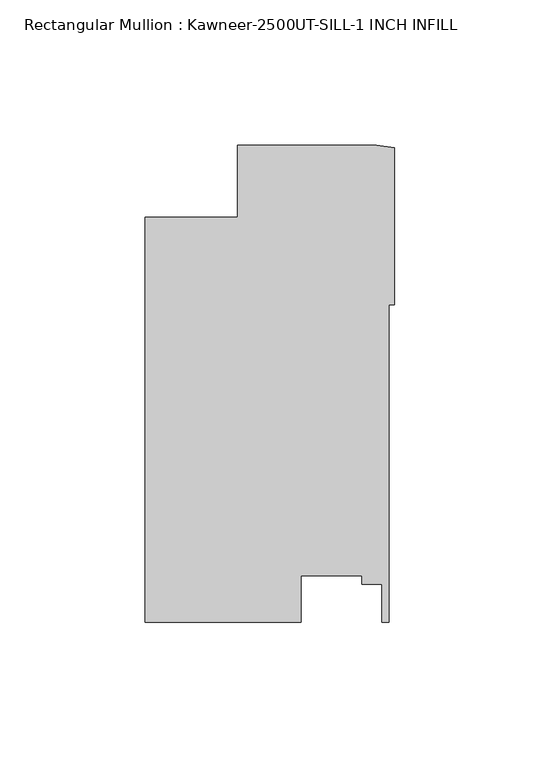
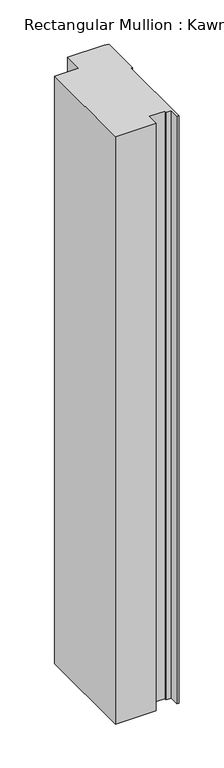
"""IFC4 building model written with IfcOpenShell, lengths in millimetres: member geometry, Rectangular Mullion : Kawneer-2500UT-SILL-1 INCH INFILL."""

from ifc_helpers import new_model, si_unit, point, frame, frame_2d, origin, place, context, project, spatial, polyline, circle_curve, trimmed, segment, composite_curve, outline, extrude, source, transform, mapped, element, save


def rectangular_mullion_kawneer_2500ut_sill_1_inch_infill_caa7ba78(model_context):
    return source(origin(), model_context, "Body", "SweptSolid", [
        extrude(outline(composite_curve([segment(polyline([(-85.8370969, -24.8046875), (-54.0872101, -24.8040411), (-54.0872101, -0.0023481), (-6.2338824, -0.0023481)]), True, "CONTINUOUS"), segment(trimmed(circle_curve(frame_2d((1.9614918, 38.576115)), 39.4393455), [point((-6.2338824, -0.0023481))], [point((0.0, -0.8144235))], True, "CARTESIAN"), True, "CONTINUOUS"), segment(polyline([(0.0, -0.8144235), (0.0, -54.8449535), (-1.8773984, -54.8449535), (-1.8773984, -163.9966875), (-4.4173983, -163.9966875), (-4.4173983, -150.9528883), (-11.275398, -150.9528883), (-11.275398, -148.098283), (-32.2220472, -148.098283), (-32.2220472, -163.9966875), (-85.8370969, -163.9966875), (-85.8370969, -24.8046875)]), True, "CONTINUOUS")], self_intersect=False)), frame((0.0, 0.0, -819.3400776), z_axis=(0.0, 0.0, 1.0), x_axis=(1.0, 0.0, 0.0)), (0.0, 0.0, 1.0), 819.3400776),
    ])


if __name__ == "__main__":
    model = new_model("IFC4")
    model_context = context("Model", 3, world=origin())
    ifc_project = project(units=[si_unit("LENGTHUNIT", "METRE", prefix="MILLI")], contexts=[model_context])
    site = spatial("IfcSite", under=ifc_project)
    building = spatial("IfcBuilding", under=site)
    placement = place(None, origin())
    rectangular_mullion_kawneer_2500ut_sill_1_inch_infill_shape = rectangular_mullion_kawneer_2500ut_sill_1_inch_infill_caa7ba78(model_context)
    element("IfcMember", 1, ObjectType="Rectangular Mullion : Kawneer-2500UT-SILL-1 INCH INFILL", at=placement, inside=building, context=model_context, shape_type="MappedRepresentation", body=[
        mapped(rectangular_mullion_kawneer_2500ut_sill_1_inch_infill_shape, transform((0.0, 0.0, 0.0), x_axis=(1.0, 0.0, 0.0), y_axis=(0.0, 1.0, 0.0), z_axis=(0.0, 0.0, 1.0))),
    ])
    save(model, "model.ifc")
